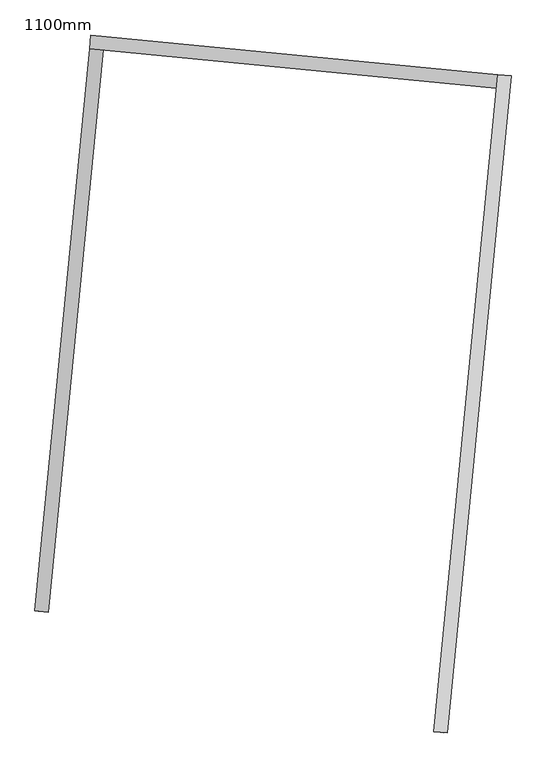
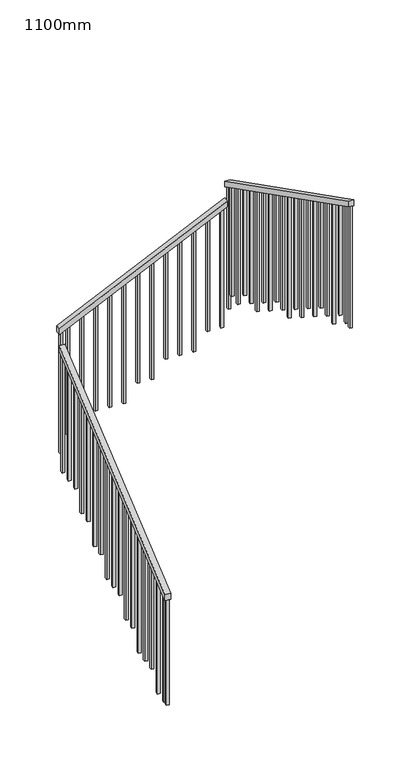
"""IFC4 building model written with IfcOpenShell, lengths in millimetres: railing geometry, 1100mm."""

from ifc_helpers import new_model, si_unit, frame, origin, place, context, project, spatial, polyline, outline, extrude, source, transform, mapped, element, save


def railing_1100mm_1afce372(model_context):
    return source(origin(), model_context, "Body", "SweptSolid", [
        extrude(outline(polyline([(27.7777778, -50.0000001), (0.0, 0.0), (2374.1723104, 0.0), (2401.9500883, -50.0000001), (27.7777778, -50.0000001)])), frame((-285233.8927364, 23410.7490933, 1889.4687214), z_axis=(-0.9952945764558494, 0.09689533568532303, 0.0), x_axis=(0.08470176271154724, 0.8700439958930161, 0.48564293117893753)), (0.0, 0.0, 1.0), 50.0),
        extrude(outline(polyline([(27.7777778, -50.0), (0.0, 0.0), (1716.8535239, 0.0), (1744.6313017, -50.0), (27.7777778, -50.0)])), frame((-285082.5608855, 25481.228224, 3208.6909437), z_axis=(0.09689533568656868, 0.9952945764557282, 0.0), x_axis=(0.8700439958934215, -0.08470176271268626, 0.48564293117801255)), (0.0, 0.0, 1.0), 50.0),
        extrude(outline(polyline([(-27.7777778, -50.0), (0.0, 0.0), (2774.5579271, -1e-07), (2746.7801494, -50.0), (-27.7777778, -50.0)])), frame((-283534.2132896, 25380.7276663, 4265.8888889), z_axis=(-0.9952945764558305, 0.09689533568551667, 0.0), x_axis=(-0.08470176271175284, -0.8700439958933656, 0.4856429311782756)), (0.0, 0.0, 1.0), 50.0),
        extrude(outline(polyline([(1260.6353881, -25.0), (106.9444445, -25.0), (93.0555556, 0.0), (1260.6353881, 0.0), (1260.6353881, -25.0)])), frame((-283774.3585106, 23042.9966033, 5607.3020548), z_axis=(-0.9952945764558311, 0.09689533568551122, 0.0), x_axis=(0.0, 0.0, -1.0)), (0.0, 0.0, 1.0), 25.0),
        extrude(outline(polyline([(1191.1909436, -25.0), (106.9444444, -25.0), (93.0555555, 0.0), (1191.1909436, 0.0), (1191.1909436, -25.0)])), frame((-283762.2465937, 23167.4084254, 5537.8576103), z_axis=(-0.9952945764558311, 0.09689533568551122, 0.0), x_axis=(0.0, 0.0, -1.0)), (0.0, 0.0, 1.0), 25.0),
        extrude(outline(polyline([(1288.4131659, -25.0), (106.9444445, -25.0), (93.0555556, 0.0), (1288.4131659, 0.0), (1288.4131659, -25.0)])), frame((-283750.1346767, 23291.8202474, 5468.4131659), z_axis=(-0.9952945764558311, 0.09689533568551122, 0.0), x_axis=(0.0, 0.0, -1.0)), (0.0, 0.0, 1.0), 25.0),
        extrude(outline(polyline([(1218.9687214, -25.0), (106.9444444, -25.0), (93.0555555, 0.0), (1218.9687214, 0.0), (1218.9687214, -25.0)])), frame((-283738.0227597, 23416.2320695, 5398.9687214), z_axis=(-0.9952945764558311, 0.09689533568551122, 0.0), x_axis=(0.0, 0.0, -1.0)), (0.0, 0.0, 1.0), 25.0),
        extrude(outline(polyline([(1149.524277, -25.0), (106.9444445, -25.0), (93.0555556, 0.0), (1149.524277, 0.0), (1149.524277, -25.0)])), frame((-283725.9108428, 23540.6438915, 5329.524277), z_axis=(-0.9952945764558311, 0.09689533568551122, 0.0), x_axis=(0.0, 0.0, -1.0)), (0.0, 0.0, 1.0), 25.0),
        extrude(outline(polyline([(1246.7464992, -25.0), (106.9444444, -25.0), (93.0555555, 0.0), (1246.7464992, 0.0), (1246.7464992, -25.0)])), frame((-283713.7989258, 23665.0557136, 5260.0798325), z_axis=(-0.9952945764558311, 0.09689533568551122, 0.0), x_axis=(0.0, 0.0, -1.0)), (0.0, 0.0, 1.0), 25.0),
        extrude(outline(polyline([(1177.3020548, -25.0), (106.9444444, -25.0), (93.0555555, 0.0), (1177.3020548, 0.0), (1177.3020548, -25.0)])), frame((-283701.6870089, 23789.4675356, 5190.6353881), z_axis=(-0.9952945764558311, 0.09689533568551122, 0.0), x_axis=(0.0, 0.0, -1.0)), (0.0, 0.0, 1.0), 25.0),
        extrude(outline(polyline([(1274.524277, -25.0), (106.9444445, -25.0), (93.0555556, 0.0), (1274.524277, 0.0), (1274.524277, -25.0)])), frame((-283689.5750919, 23913.8793577, 5121.1909437), z_axis=(-0.9952945764558311, 0.09689533568551122, 0.0), x_axis=(0.0, 0.0, -1.0)), (0.0, 0.0, 1.0), 25.0),
        extrude(outline(polyline([(1205.0798325, -25.0), (106.9444444, -25.0), (93.0555555, 0.0), (1205.0798325, 0.0), (1205.0798325, -25.0)])), frame((-283677.4631749, 24038.2911798, 5051.7464992), z_axis=(-0.9952945764558311, 0.09689533568551122, 0.0), x_axis=(0.0, 0.0, -1.0)), (0.0, 0.0, 1.0), 25.0),
        extrude(outline(polyline([(1302.3020548, -25.0), (106.9444445, -25.0), (93.0555556, 0.0), (1302.3020548, 0.0), (1302.3020548, -25.0)])), frame((-283665.351258, 24162.7030018, 4982.3020548), z_axis=(-0.9952945764558311, 0.09689533568551122, 0.0), x_axis=(0.0, 0.0, -1.0)), (0.0, 0.0, 1.0), 25.0),
        extrude(outline(polyline([(1232.8576103, -25.0), (106.9444444, -25.0), (93.0555555, 0.0), (1232.8576103, 0.0), (1232.8576103, -25.0)])), frame((-283653.239341, 24287.1148239, 4912.8576103), z_axis=(-0.9952945764558311, 0.09689533568551122, 0.0), x_axis=(0.0, 0.0, -1.0)), (0.0, 0.0, 1.0), 25.0),
        extrude(outline(polyline([(1163.4131659, -25.0), (106.9444445, -25.0), (93.0555556, 0.0), (1163.4131659, 0.0), (1163.4131659, -25.0)])), frame((-283641.1274241, 24411.5266459, 4843.4131659), z_axis=(-0.9952945764558311, 0.09689533568551122, 0.0), x_axis=(0.0, 0.0, -1.0)), (0.0, 0.0, 1.0), 25.0),
        extrude(outline(polyline([(1260.6353881, -25.0), (106.9444444, -25.0), (93.0555555, 0.0), (1260.6353881, 0.0), (1260.6353881, -25.0)])), frame((-283629.0155071, 24535.938468, 4773.9687214), z_axis=(-0.9952945764558311, 0.09689533568551122, 0.0), x_axis=(0.0, 0.0, -1.0)), (0.0, 0.0, 1.0), 25.0),
        extrude(outline(polyline([(1191.1909437, -25.0), (106.9444445, -25.0), (93.0555556, 0.0), (1191.1909437, 0.0), (1191.1909437, -25.0)])), frame((-283616.9035901, 24660.35029, 4704.524277), z_axis=(-0.9952945764558311, 0.09689533568551122, 0.0), x_axis=(0.0, 0.0, -1.0)), (0.0, 0.0, 1.0), 25.0),
        extrude(outline(polyline([(1288.4131658, -25.0), (106.9444444, -25.0), (93.0555555, 0.0), (1288.4131658, 0.0), (1288.4131658, -25.0)])), frame((-283604.7916732, 24784.7621121, 4635.0798325), z_axis=(-0.9952945764558311, 0.09689533568551122, 0.0), x_axis=(0.0, 0.0, -1.0)), (0.0, 0.0, 1.0), 25.0),
        extrude(outline(polyline([(1218.9687214, -25.0000001), (106.9444444, -25.0000001), (93.0555556, 0.0), (1218.9687214, 0.0), (1218.9687214, -25.0000001)])), frame((-283592.6797562, 24909.1739341, 4565.6353881), z_axis=(-0.9952945764558311, 0.09689533568551122, 0.0), x_axis=(0.0, 0.0, -1.0)), (0.0, 0.0, 1.0), 25.0),
        extrude(outline(polyline([(1149.524277, -25.0), (106.9444445, -25.0), (93.0555556, 0.0), (1149.524277, 0.0), (1149.524277, -25.0)])), frame((-283580.5678393, 25033.5857562, 4496.1909437), z_axis=(-0.9952945764558311, 0.09689533568551122, 0.0), x_axis=(0.0, 0.0, -1.0)), (0.0, 0.0, 1.0), 25.0),
        extrude(outline(polyline([(1246.7464992, -25.0), (106.9444444, -25.0), (93.0555555, 0.0), (1246.7464992, 0.0), (1246.7464992, -25.0)])), frame((-283568.4559223, 25157.9975783, 4426.7464992), z_axis=(-0.9952945764558311, 0.09689533568551122, 0.0), x_axis=(0.0, 0.0, -1.0)), (0.0, 0.0, 1.0), 25.0),
        extrude(outline(polyline([(1177.3020548, -25.0), (106.9444445, -25.0), (93.0555556, 0.0), (1177.3020548, 0.0), (1177.3020548, -25.0)])), frame((-283556.3440053, 25282.4094003, 4357.3020548), z_axis=(-0.9952945764558311, 0.09689533568551122, 0.0), x_axis=(0.0, 0.0, -1.0)), (0.0, 0.0, 1.0), 25.0),
        extrude(outline(polyline([(106.9444445, 0.0), (1274.524277, 0.0), (1274.524277, -25.0), (93.0555556, -25.0), (106.9444445, 0.0)])), frame((-283638.172558, 25353.1711695, 4121.1909437), z_axis=(0.09689533568656906, 0.995294576455728, 0.0), x_axis=(0.0, 0.0, -1.0)), (0.0, 0.0, 1.0), 25.0),
        extrude(outline(polyline([(106.9444444, 0.0), (1205.0798325, 0.0), (1205.0798325, -25.0), (93.0555555, -25.0), (106.9444444, 0.0)])), frame((-283762.58438, 25365.2830865, 4051.7464992), z_axis=(0.09689533568656906, 0.995294576455728, 0.0), x_axis=(0.0, 0.0, -1.0)), (0.0, 0.0, 1.0), 25.0),
        extrude(outline(polyline([(106.9444445, 0.0), (1302.3020548, 0.0), (1302.3020548, -25.0), (93.0555556, -25.0), (106.9444445, 0.0)])), frame((-283886.9962021, 25377.3950034, 3982.3020548), z_axis=(0.09689533568656906, 0.995294576455728, 0.0), x_axis=(0.0, 0.0, -1.0)), (0.0, 0.0, 1.0), 25.0),
        extrude(outline(polyline([(106.9444444, 0.0), (1232.8576103, 0.0), (1232.8576103, -25.0), (93.0555555, -25.0), (106.9444444, 0.0)])), frame((-284011.4080241, 25389.5069204, 3912.8576103), z_axis=(0.09689533568656906, 0.995294576455728, 0.0), x_axis=(0.0, 0.0, -1.0)), (0.0, 0.0, 1.0), 25.0),
        extrude(outline(polyline([(106.9444445, 0.0), (1163.4131659, 0.0), (1163.4131659, -25.0), (93.0555556, -25.0), (106.9444445, 0.0)])), frame((-284135.8198462, 25401.6188373, 3843.4131659), z_axis=(0.09689533568656906, 0.995294576455728, 0.0), x_axis=(0.0, 0.0, -1.0)), (0.0, 0.0, 1.0), 25.0),
        extrude(outline(polyline([(106.9444444, 0.0), (1260.6353881, 0.0), (1260.6353881, -25.0), (93.0555555, -25.0), (106.9444444, 0.0)])), frame((-284260.2316682, 25413.7307543, 3773.9687214), z_axis=(0.09689533568656906, 0.995294576455728, 0.0), x_axis=(0.0, 0.0, -1.0)), (0.0, 0.0, 1.0), 25.0),
        extrude(outline(polyline([(106.9444445, 0.0), (1191.1909437, 0.0), (1191.1909437, -25.0), (93.0555556, -25.0), (106.9444445, 0.0)])), frame((-284384.6434903, 25425.8426713, 3704.524277), z_axis=(0.09689533568656906, 0.995294576455728, 0.0), x_axis=(0.0, 0.0, -1.0)), (0.0, 0.0, 1.0), 25.0),
        extrude(outline(polyline([(106.9444444, 0.0), (1288.4131658, 0.0), (1288.4131658, -25.0000001), (93.0555555, -25.0000001), (106.9444444, 0.0)])), frame((-284509.0553124, 25437.9545882, 3635.0798325), z_axis=(0.09689533568656906, 0.995294576455728, 0.0), x_axis=(0.0, 0.0, -1.0)), (0.0, 0.0, 1.0), 25.0),
        extrude(outline(polyline([(106.9444444, 0.0), (1218.9687214, 0.0), (1218.9687214, -25.0), (93.0555556, -25.0), (106.9444444, 0.0)])), frame((-284633.4671344, 25450.0665052, 3565.6353881), z_axis=(0.09689533568656906, 0.995294576455728, 0.0), x_axis=(0.0, 0.0, -1.0)), (0.0, 0.0, 1.0), 25.0),
        extrude(outline(polyline([(106.9444445, 0.0), (1149.524277, 0.0), (1149.524277, -25.0), (93.0555556, -25.0), (106.9444445, 0.0)])), frame((-284757.8789565, 25462.1784221, 3496.1909437), z_axis=(0.09689533568656906, 0.995294576455728, 0.0), x_axis=(0.0, 0.0, -1.0)), (0.0, 0.0, 1.0), 25.0),
        extrude(outline(polyline([(106.9444444, 0.0), (1246.7464992, 0.0), (1246.7464992, -25.0), (93.0555555, -25.0), (106.9444444, 0.0)])), frame((-284882.2907785, 25474.2903391, 3426.7464992), z_axis=(0.09689533568656906, 0.995294576455728, 0.0), x_axis=(0.0, 0.0, -1.0)), (0.0, 0.0, 1.0), 25.0),
        extrude(outline(polyline([(106.9444445, 0.0), (1177.3020548, 0.0), (1177.3020548, -25.0), (93.0555556, -25.0), (106.9444445, 0.0)])), frame((-285006.7026006, 25486.4022561, 3357.3020548), z_axis=(0.09689533568656906, 0.995294576455728, 0.0), x_axis=(0.0, 0.0, -1.0)), (0.0, 0.0, 1.0), 25.0),
        extrude(outline(polyline([(106.9444445, 0.0), (1288.6353881, 0.0), (1288.6353881, -25.0), (93.0555556, -25.0), (106.9444445, 0.0)])), frame((-285047.6984804, 25452.3141667, 3135.3020548), z_axis=(-0.9952945764558497, 0.09689533568531952, 0.0), x_axis=(0.0, 0.0, -1.0)), (0.0, 0.0, 1.0), 25.0),
        extrude(outline(polyline([(106.9444444, 0.0), (1219.1909436, 0.0), (1219.1909436, -25.0000001), (93.0555555, -25.0000001), (106.9444444, 0.0)])), frame((-285059.8103974, 25327.9023446, 3065.8576103), z_axis=(-0.9952945764558497, 0.09689533568531952, 0.0), x_axis=(0.0, 0.0, -1.0)), (0.0, 0.0, 1.0), 25.0),
        extrude(outline(polyline([(106.9444445, 0.0), (1149.7464992, 0.0), (1149.7464992, -25.0), (93.0555556, -25.0), (106.9444445, 0.0)])), frame((-285071.9223144, 25203.4905226, 2996.4131659), z_axis=(-0.9952945764558497, 0.09689533568531952, 0.0), x_axis=(0.0, 0.0, -1.0)), (0.0, 0.0, 1.0), 25.0),
        extrude(outline(polyline([(106.9444444, 0.0), (1246.9687214, 0.0), (1246.9687214, -25.0), (93.0555555, -25.0), (106.9444444, 0.0)])), frame((-285084.0342313, 25079.0787005, 2926.9687214), z_axis=(-0.9952945764558497, 0.09689533568531952, 0.0), x_axis=(0.0, 0.0, -1.0)), (0.0, 0.0, 1.0), 25.0),
        extrude(outline(polyline([(106.9444445, 0.0), (1177.524277, 0.0), (1177.524277, -25.0), (93.0555556, -25.0), (106.9444445, 0.0)])), frame((-285096.1461483, 24954.6668785, 2857.524277), z_axis=(-0.9952945764558497, 0.09689533568531952, 0.0), x_axis=(0.0, 0.0, -1.0)), (0.0, 0.0, 1.0), 25.0),
        extrude(outline(polyline([(106.9444444, 0.0), (1274.7464992, 0.0), (1274.7464992, -25.0), (93.0555555, -25.0), (106.9444444, 0.0)])), frame((-285108.2580652, 24830.2550564, 2788.0798325), z_axis=(-0.9952945764558497, 0.09689533568531952, 0.0), x_axis=(0.0, 0.0, -1.0)), (0.0, 0.0, 1.0), 25.0),
        extrude(outline(polyline([(106.9444444, 0.0), (1205.3020548, 0.0), (1205.3020548, -25.0), (93.0555556, -25.0), (106.9444444, 0.0)])), frame((-285120.3699822, 24705.8432344, 2718.6353881), z_axis=(-0.9952945764558497, 0.09689533568531952, 0.0), x_axis=(0.0, 0.0, -1.0)), (0.0, 0.0, 1.0), 25.0),
        extrude(outline(polyline([(106.9444445, 0.0), (1302.524277, 0.0), (1302.524277, -25.0), (93.0555556, -25.0), (106.9444445, 0.0)])), frame((-285132.4818992, 24581.4314123, 2649.1909437), z_axis=(-0.9952945764558497, 0.09689533568531952, 0.0), x_axis=(0.0, 0.0, -1.0)), (0.0, 0.0, 1.0), 25.0),
        extrude(outline(polyline([(106.9444444, 0.0), (1233.0798325, 0.0), (1233.0798325, -25.0000001), (93.0555555, -25.0000001), (106.9444444, 0.0)])), frame((-285144.5938161, 24457.0195902, 2579.7464992), z_axis=(-0.9952945764558497, 0.09689533568531952, 0.0), x_axis=(0.0, 0.0, -1.0)), (0.0, 0.0, 1.0), 25.0),
        extrude(outline(polyline([(106.9444445, 0.0), (1163.6353881, 0.0), (1163.6353881, -25.0), (93.0555556, -25.0), (106.9444445, 0.0)])), frame((-285156.7057331, 24332.6077682, 2510.3020548), z_axis=(-0.9952945764558497, 0.09689533568531952, 0.0), x_axis=(0.0, 0.0, -1.0)), (0.0, 0.0, 1.0), 25.0),
        extrude(outline(polyline([(106.9444444, 0.0), (1260.8576103, 0.0), (1260.8576103, -25.0), (93.0555555, -25.0), (106.9444444, 0.0)])), frame((-285168.81765, 24208.1959461, 2440.8576103), z_axis=(-0.9952945764558497, 0.09689533568531952, 0.0), x_axis=(0.0, 0.0, -1.0)), (0.0, 0.0, 1.0), 25.0),
        extrude(outline(polyline([(106.9444445, 0.0), (1191.4131659, 0.0), (1191.4131659, -25.0), (93.0555556, -25.0), (106.9444445, 0.0)])), frame((-285180.929567, 24083.7841241, 2371.4131659), z_axis=(-0.9952945764558497, 0.09689533568531952, 0.0), x_axis=(0.0, 0.0, -1.0)), (0.0, 0.0, 1.0), 25.0),
        extrude(outline(polyline([(106.9444444, 0.0), (1288.6353881, 0.0), (1288.6353881, -25.0), (93.0555555, -25.0), (106.9444444, 0.0)])), frame((-285193.041484, 23959.372302, 2301.9687214), z_axis=(-0.9952945764558497, 0.09689533568531952, 0.0), x_axis=(0.0, 0.0, -1.0)), (0.0, 0.0, 1.0), 25.0),
        extrude(outline(polyline([(106.9444445, 0.0), (1219.1909437, 0.0), (1219.1909437, -25.0), (93.0555556, -25.0), (106.9444445, 0.0)])), frame((-285205.1534009, 23834.96048, 2232.524277), z_axis=(-0.9952945764558497, 0.09689533568531952, 0.0), x_axis=(0.0, 0.0, -1.0)), (0.0, 0.0, 1.0), 25.0),
        extrude(outline(polyline([(106.9444444, 0.0), (1149.7464992, 0.0), (1149.7464992, -25.0), (93.0555555, -25.0), (106.9444444, 0.0)])), frame((-285217.2653179, 23710.5486579, 2163.0798325), z_axis=(-0.9952945764558497, 0.09689533568531952, 0.0), x_axis=(0.0, 0.0, -1.0)), (0.0, 0.0, 1.0), 25.0),
        extrude(outline(polyline([(106.9444444, 0.0), (1246.9687214, 0.0), (1246.9687214, -25.0000001), (93.0555556, -25.0000001), (106.9444444, 0.0)])), frame((-285229.3772348, 23586.1368358, 2093.6353881), z_axis=(-0.9952945764558497, 0.09689533568531952, 0.0), x_axis=(0.0, 0.0, -1.0)), (0.0, 0.0, 1.0), 25.0),
        extrude(outline(polyline([(106.9444445, 0.0), (1177.524277, 0.0), (1177.524277, -25.0), (93.0555556, -25.0), (106.9444445, 0.0)])), frame((-285241.4891518, 23461.7250138, 2024.1909437), z_axis=(-0.9952945764558497, 0.09689533568531952, 0.0), x_axis=(0.0, 0.0, -1.0)), (0.0, 0.0, 1.0), 25.0),
        extrude(outline(polyline([(1309.2464993, -25.0000001), (106.9444445, -25.0000001), (93.0555556, 0.0), (1309.2464993, 0.0), (1309.2464993, -25.0000001)])), frame((-283550.2880469, 25344.6153113, 4322.5798326), z_axis=(-0.9952945764558311, 0.09689533568551122, 0.0), x_axis=(0.0, 0.0, -1.0)), (0.0, 0.0, 1.0), 25.0),
        extrude(outline(polyline([(106.9444445, 0.0), (1309.2464993, 0.0), (1309.2464993, -25.0), (93.0555556, -25.0), (106.9444445, 0.0)])), frame((-285068.9085116, 25492.4582145, 3322.5798326), z_axis=(0.09689533568656906, 0.995294576455728, 0.0), x_axis=(0.0, 0.0, -1.0)), (0.0, 0.0, 1.0), 25.0),
        extrude(outline(polyline([(1302.524277, -25.0), (106.9444445, -25.0), (93.0555556, 0.0), (1302.524277, 0.0), (1302.524277, -25.0)])), frame((-283781.6644189, 22967.9513922, 5649.1909437), z_axis=(-0.9952945764558311, 0.09689533568551122, 0.0), x_axis=(0.0, 0.0, -1.0)), (0.0, 0.0, 1.0), 25.0),
        extrude(outline(polyline([(106.9444445, 0.0), (1149.7464992, 0.0), (1149.7464992, -25.0), (93.0555556, -25.0), (106.9444445, 0.0)])), frame((-285246.3339186, 23411.960285, 1996.4131659), z_axis=(-0.9952945764558497, 0.09689533568531952, 0.0), x_axis=(0.0, 0.0, -1.0)), (0.0, 0.0, 1.0), 25.0),
    ])


if __name__ == "__main__":
    model = new_model("IFC4")
    model_context = context("Model", 3, world=origin())
    ifc_project = project(units=[si_unit("LENGTHUNIT", "METRE", prefix="MILLI")], contexts=[model_context])
    site = spatial("IfcSite", under=ifc_project)
    building = spatial("IfcBuilding", under=site)
    placement = place(None, origin())
    railing_1100mm_shape = railing_1100mm_1afce372(model_context)
    element("IfcRailing", 1, ObjectType="1100mm", at=placement, inside=building, context=model_context, shape_type="MappedRepresentation", body=[
        mapped(railing_1100mm_shape, transform((0.0, 0.0, 0.0), x_axis=(1.0, 0.0, 0.0), y_axis=(0.0, 1.0, 0.0), z_axis=(0.0, 0.0, 1.0))),
    ])
    save(model, "model.ifc")
